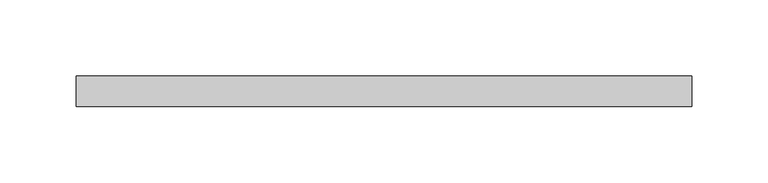
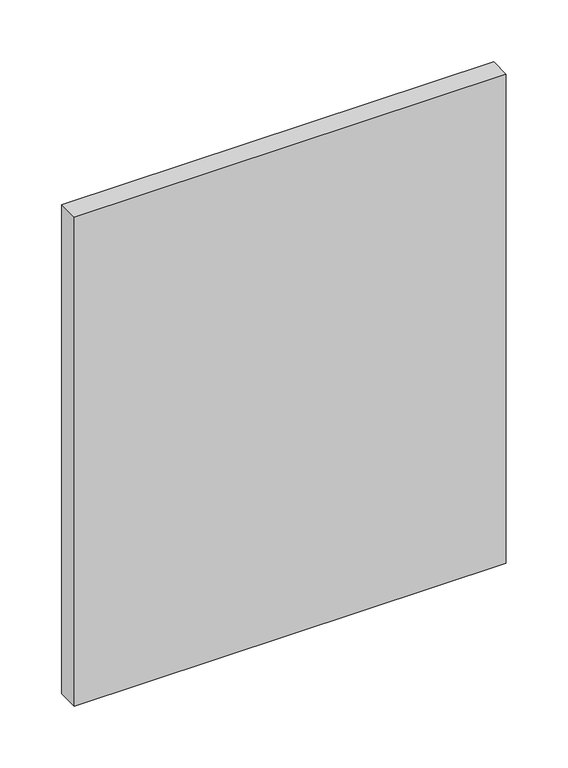
"""IFC4 building model written with IfcOpenShell, lengths in millimetres: plate geometry."""

from ifc_helpers import new_model, si_unit, origin, origin_with_axes, place, context, project, spatial, polyline, outline, extrude, source, transform, mapped, element, save


def plate_a07bf794(model_context):
    return source(origin(), model_context, "Body", "SweptSolid", [
        extrude(outline(polyline([(201.8421053, 70.0), (-201.8421053, 70.0), (-201.8421053, 90.0), (201.8421053, 90.0), (201.8421053, 70.0)])), origin_with_axes(), (0.0, 0.0, 1.0), 482.7375),
    ])


if __name__ == "__main__":
    model = new_model("IFC4")
    model_context = context("Model", 3, world=origin())
    ifc_project = project(units=[si_unit("LENGTHUNIT", "METRE", prefix="MILLI")], contexts=[model_context])
    site = spatial("IfcSite", under=ifc_project)
    building = spatial("IfcBuilding", under=site)
    placement = place(None, origin())
    plate_shape = plate_a07bf794(model_context)
    element("IfcPlate", 1, at=placement, inside=building, context=model_context, shape_type="MappedRepresentation", body=[
        mapped(plate_shape, transform((0.0, 0.0, 0.0), x_axis=(1.0, 0.0, 0.0), y_axis=(0.0, 1.0, 0.0), z_axis=(0.0, 0.0, 1.0))),
    ])
    save(model, "model.ifc")
